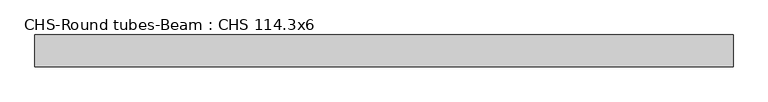
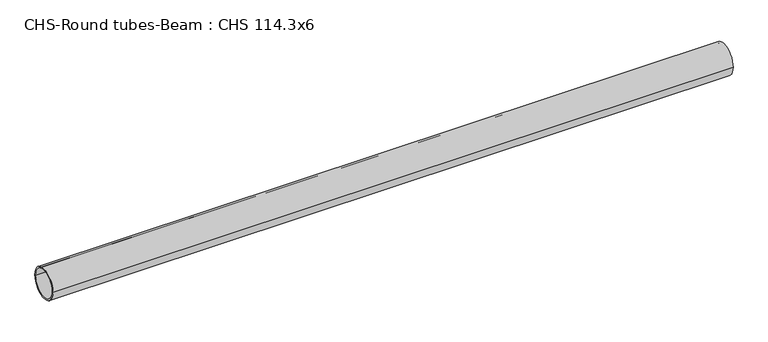
"""IFC4 building model written with IfcOpenShell, lengths in millimetres: beam geometry, CHS-Round tubes-Beam : CHS 114.3x6."""

from ifc_helpers import new_model, si_unit, point, frame, origin, origin_2d, place, context, project, spatial, circle_curve, trimmed, segment, composite_curve, outline, extrude, source, transform, mapped, element, save


def chs_round_tubes_beam_chs_114_3x6_4080628e(model_context):
    return source(origin(), model_context, "Body", "SweptSolid", [
        extrude(outline(composite_curve([segment(trimmed(circle_curve(origin_2d(), 57.15), [point((57.15, 0.0))], [point((-57.15, 0.0))], False, "CARTESIAN"), True, "CONTINUOUS"), segment(trimmed(circle_curve(origin_2d(), 57.15), [point((-57.15, 0.0))], [point((57.15, 0.0))], False, "CARTESIAN"), True, "CONTINUOUS")], self_intersect=False), holes=[composite_curve([segment(trimmed(circle_curve(origin_2d(), 51.15), [point((51.15, 0.0))], [point((-51.15, 0.0))], True, "CARTESIAN"), True, "CONTINUOUS"), segment(trimmed(circle_curve(origin_2d(), 51.15), [point((-51.15, 0.0))], [point((51.15, 0.0))], True, "CARTESIAN"), True, "CONTINUOUS")], self_intersect=False)]), frame((-1212.3475296, 0.0, 0.0), z_axis=(1.0, 0.0, 0.0), x_axis=(0.0, 1.0, 0.0)), (0.0, 0.0, 1.0), 2498.3287241),
    ])


if __name__ == "__main__":
    model = new_model("IFC4")
    model_context = context("Model", 3, world=origin())
    ifc_project = project(units=[si_unit("LENGTHUNIT", "METRE", prefix="MILLI")], contexts=[model_context])
    site = spatial("IfcSite", under=ifc_project)
    building = spatial("IfcBuilding", under=site)
    placement = place(None, origin())
    chs_round_tubes_beam_chs_114_3x6_shape = chs_round_tubes_beam_chs_114_3x6_4080628e(model_context)
    element("IfcBeam", 1, ObjectType="CHS-Round tubes-Beam : CHS 114.3x6", at=placement, inside=building, context=model_context, shape_type="MappedRepresentation", body=[
        mapped(chs_round_tubes_beam_chs_114_3x6_shape, transform((0.0, 0.0, 0.0), x_axis=(1.0, 0.0, 0.0), y_axis=(0.0, 1.0, 0.0), z_axis=(0.0, 0.0, 1.0))),
    ])
    save(model, "model.ifc")
